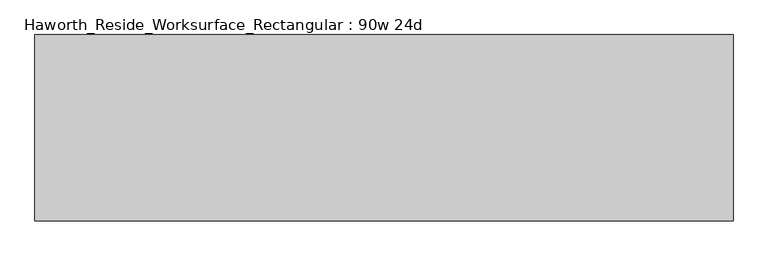
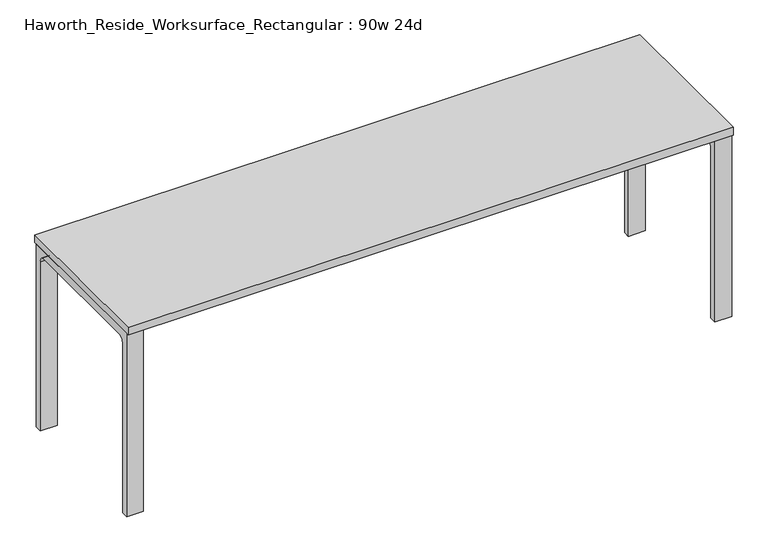
"""IFC4 building model written with IfcOpenShell, lengths in millimetres: furniture geometry, Haworth_Reside_Worksurface_Rectangular : 90w 24d."""

from ifc_helpers import new_model, si_unit, point, frame, frame_2d, origin, place, context, project, spatial, polyline, circle_curve, trimmed, segment, composite_curve, outline, extrude, source, transform, mapped, element, save


def haworth_reside_worksurface_rectangular_90w_24d_6df9bfc3(model_context):
    return source(origin(), model_context, "Body", "SweptSolid", [
        extrude(outline(composite_curve([segment(trimmed(circle_curve(frame_2d((244.475, 676.275)), 25.4), [point((269.875, 676.275))], [point((244.475, 701.675))], True, "CARTESIAN"), True, "CONTINUOUS"), segment(polyline([(244.475, 701.675), (-244.475, 701.675)]), True, "CONTINUOUS"), segment(trimmed(circle_curve(frame_2d((-244.475, 676.275)), 25.4), [point((-244.475, 701.675))], [point((-269.875, 676.275))], True, "CARTESIAN"), True, "CONTINUOUS"), segment(polyline([(-269.875, 676.275), (-269.875, 0.0), (-295.275, 0.0), (-295.275, 731.8375), (295.275, 731.8375), (295.275, 0.0), (269.875, 0.0), (269.875, 676.275)]), True, "CONTINUOUS")], self_intersect=False)), frame((1079.5, 0.0, 0.0), z_axis=(1.0, 0.0, 0.0), x_axis=(0.0, 1.0, 0.0)), (0.0, 0.0, 1.0), 63.5),
        extrude(outline(composite_curve([segment(trimmed(circle_curve(frame_2d((244.475, 676.275)), 25.4), [point((269.875, 676.275))], [point((244.475, 701.675))], True, "CARTESIAN"), True, "CONTINUOUS"), segment(polyline([(244.475, 701.675), (-244.475, 701.675)]), True, "CONTINUOUS"), segment(trimmed(circle_curve(frame_2d((-244.475, 676.275)), 25.4), [point((-244.475, 701.675))], [point((-269.875, 676.275))], True, "CARTESIAN"), True, "CONTINUOUS"), segment(polyline([(-269.875, 676.275), (-269.875, 0.0), (-295.275, 0.0), (-295.275, 731.8375), (295.275, 731.8375), (295.275, 0.0), (269.875, 0.0), (269.875, 676.275)]), True, "CONTINUOUS")], self_intersect=False)), frame((-1143.0, 0.0, 0.0), z_axis=(1.0, 0.0, 0.0), x_axis=(0.0, 1.0, 0.0)), (0.0, 0.0, 1.0), 63.5),
        extrude(outline(polyline([(1143.0, 304.8), (1143.0, -304.8), (-1143.0, -304.8), (-1143.0, 304.8), (1143.0, 304.8)])), frame((0.0, 0.0, 731.8375), z_axis=(0.0, 0.0, 1.0), x_axis=(1.0, 0.0, 0.0)), (0.0, 0.0, 1.0), 30.1625),
    ])


if __name__ == "__main__":
    model = new_model("IFC4")
    model_context = context("Model", 3, world=origin())
    ifc_project = project(units=[si_unit("LENGTHUNIT", "METRE", prefix="MILLI")], contexts=[model_context])
    site = spatial("IfcSite", under=ifc_project)
    building = spatial("IfcBuilding", under=site)
    placement = place(None, origin())
    haworth_reside_worksurface_rectangular_90w_24d_shape = haworth_reside_worksurface_rectangular_90w_24d_6df9bfc3(model_context)
    element("IfcFurniture", 1, ObjectType="Haworth_Reside_Worksurface_Rectangular : 90w 24d", at=placement, inside=building, context=model_context, shape_type="MappedRepresentation", body=[
        mapped(haworth_reside_worksurface_rectangular_90w_24d_shape, transform((0.0, 0.0, 0.0), x_axis=(1.0, 0.0, 0.0), y_axis=(0.0, 1.0, 0.0), z_axis=(0.0, 0.0, 1.0))),
    ])
    save(model, "model.ifc")
